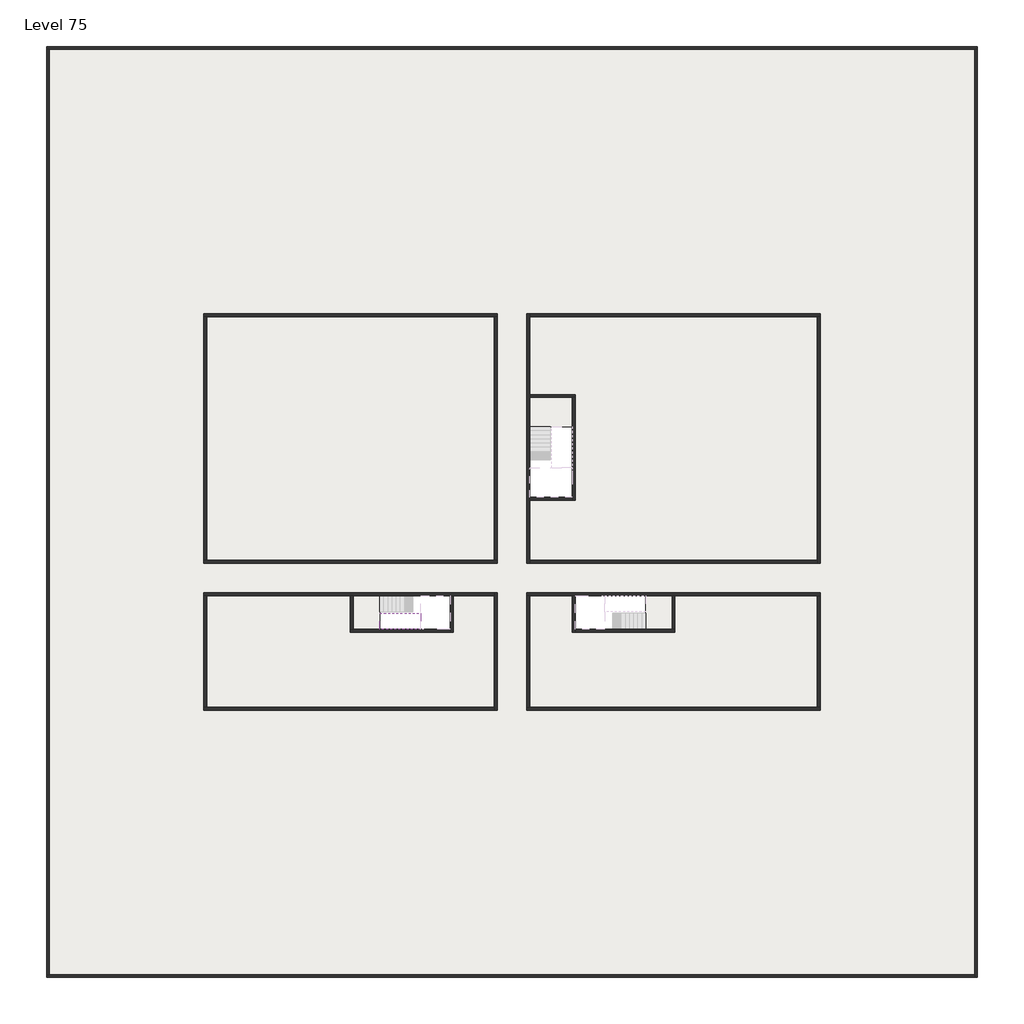
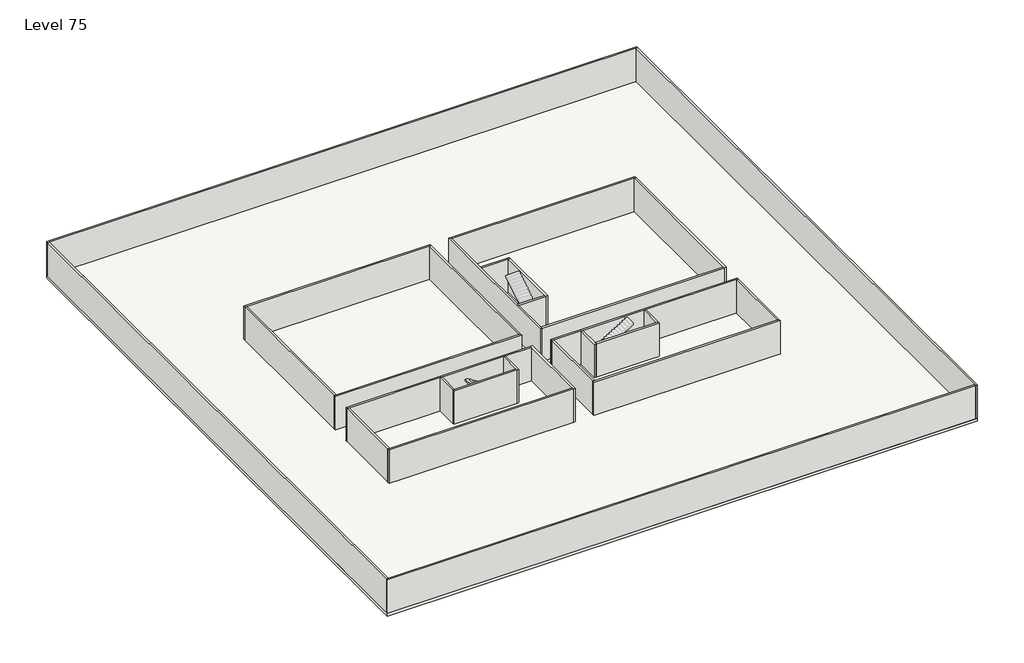
# One storey, part 1 of 2: 29 walls, 2 slabs, 1 stair flight.
"""IFC4 building model written with IfcOpenShell, lengths in millimetres."""

from ifc_helpers import new_model, si_unit, frame, origin, place, context, project, spatial, polyline, outline, extrude, faceted_brep, element, save

model = new_model("IFC4")

# Units and contexts
model_context = context("Model", 3, world=origin())
ifc_project = project(units=[si_unit("LENGTHUNIT", "METRE", prefix="MILLI")], contexts=[model_context])

# Site, building, storey
site = spatial("IfcSite", under=ifc_project)
building = spatial("IfcBuilding", under=site)
storey = spatial("IfcBuildingStorey", under=building, Name="Level 75", Elevation=281200.0)

# Slabs
placement = place(None, origin())
element("IfcSlab", 1, at=placement, inside=storey, context=model_context, shape_type="SweptSolid", body=[
    extrude(outline(polyline([(25390.1058784, -29418.09644), (28290.1058784, -29418.09644), (28290.1058784, -31418.09644), (25390.1058784, -31418.09644), (25390.1058784, -29418.09644)])), frame((0.0, 0.0, 280900.0), z_axis=(0.0, 0.0, 1.0), x_axis=(1.0, 0.0, 0.0)), (0.0, 0.0, 1.0), 300.0),
    extrude(outline(polyline([(13190.1058784, -45218.09644), (13190.1058784, -42918.09644), (15190.1058784, -42918.09644), (15190.1058784, -45218.09644), (13190.1058784, -45218.09644)])), frame((0.0, 0.0, 280900.0), z_axis=(0.0, 0.0, 1.0), x_axis=(1.0, 0.0, 0.0)), (0.0, 0.0, 1.0), 300.0),
    extrude(outline(polyline([(35090.1058784, -42918.09644), (35090.1058784, -45218.09644), (33290.1058784, -45218.09644), (33290.1058784, -42918.09644), (35090.1058784, -42918.09644)])), frame((0.0, 0.0, 280900.0), z_axis=(0.0, 0.0, 1.0), x_axis=(1.0, 0.0, 0.0)), (0.0, 0.0, 1.0), 300.0),
])
element("IfcSlab", 2, at=placement, inside=storey, context=model_context, shape_type="SweptSolid", body=[
    extrude(outline(polyline([(55890.1058784, -5518.09644), (55890.1058784, -68918.09644), (-7509.8941216, -68918.09644), (-7509.8941216, -5518.09644), (55890.1058784, -5518.09644)]), holes=[polyline([(25390.1058784, -29418.09644), (25390.1058784, -36218.09644), (28290.1058784, -36218.09644), (28290.1058784, -29418.09644), (25390.1058784, -29418.09644)]), polyline([(19990.1058784, -42918.09644), (13390.1058784, -42918.09644), (13390.1058784, -45218.09644), (19990.1058784, -45218.09644), (19990.1058784, -42918.09644)]), polyline([(35090.1058784, -42918.09644), (28490.1058784, -42918.09644), (28490.1058784, -45218.09644), (35090.1058784, -45218.09644), (35090.1058784, -42918.09644)])]), frame((0.0, 0.0, 280900.0), z_axis=(0.0, 0.0, 1.0), x_axis=(1.0, 0.0, 0.0)), (0.0, 0.0, 1.0), 300.0),
])

# Stair flight
element("IfcStairFlight", 3, at=placement, inside=storey, context=model_context, shape_type="Brep", body=[
    faceted_brep([(17710.1058784, -45218.09644, 283272.7272727), (17990.1058784, -45218.09644, 283272.7272727), (17990.1058784, -44118.09644, 283272.7272727), (17710.1058784, -44118.09644, 283272.7272727), (17710.1058784, -45218.09644, 283096.4823932), (17990.1058784, -45218.09644, 282923.7551205), (17990.1058784, -45218.09644, 283100.0), (17990.1058784, -44118.09644, 282923.7551205), (17710.1058784, -44118.09644, 283096.4823932), (17430.1058784, -45218.09644, 283445.4545455), (17710.1058784, -45218.09644, 283445.4545455), (17710.1058784, -44118.09644, 283445.4545455), (17430.1058784, -44118.09644, 283445.4545455), (17430.1058784, -45218.09644, 283269.209666), (17430.1058784, -44118.09644, 283269.209666), (17150.1058784, -45218.09644, 283618.1818182), (17430.1058784, -45218.09644, 283618.1818182), (17430.1058784, -44118.09644, 283618.1818182), (17150.1058784, -44118.09644, 283618.1818182), (17150.1058784, -45218.09644, 283441.9369387), (17150.1058784, -44118.09644, 283441.9369387), (16870.1058784, -45218.09644, 283790.9090909), (17150.1058784, -45218.09644, 283790.9090909), (17150.1058784, -44118.09644, 283790.9090909), (16870.1058784, -44118.09644, 283790.9090909), (16870.1058784, -45218.09644, 283614.6642114), (16870.1058784, -44118.09644, 283614.6642114), (16590.1058784, -45218.09644, 283963.6363636), (16870.1058784, -45218.09644, 283963.6363636), (16870.1058784, -44118.09644, 283963.6363636), (16590.1058784, -44118.09644, 283963.6363636), (16590.1058784, -45218.09644, 283787.3914841), (16590.1058784, -44118.09644, 283787.3914841), (16310.1058784, -45218.09644, 284136.3636364), (16590.1058784, -45218.09644, 284136.3636364), (16590.1058784, -44118.09644, 284136.3636364), (16310.1058784, -44118.09644, 284136.3636364), (16310.1058784, -45218.09644, 283960.1187569), (16310.1058784, -44118.09644, 283960.1187569), (16030.1058784, -45218.09644, 284309.0909091), (16310.1058784, -45218.09644, 284309.0909091), (16310.1058784, -44118.09644, 284309.0909091), (16030.1058784, -44118.09644, 284309.0909091), (16030.1058784, -45218.09644, 284132.8460296), (16030.1058784, -44118.09644, 284132.8460296), (15750.1058784, -45218.09644, 284481.8181818), (16030.1058784, -45218.09644, 284481.8181818), (16030.1058784, -44118.09644, 284481.8181818), (15750.1058784, -44118.09644, 284481.8181818), (15750.1058784, -45218.09644, 284305.5733023), (15750.1058784, -44118.09644, 284305.5733023), (15470.1058784, -45218.09644, 284654.5454545), (15750.1058784, -45218.09644, 284654.5454545), (15750.1058784, -44118.09644, 284654.5454545), (15470.1058784, -44118.09644, 284654.5454545), (15470.1058784, -45218.09644, 284478.3005751), (15470.1058784, -44118.09644, 284478.3005751), (15190.1058784, -45218.09644, 284827.2727273), (15470.1058784, -45218.09644, 284827.2727273), (15470.1058784, -44118.09644, 284827.2727273), (15190.1058784, -44118.09644, 284827.2727273), (15190.1058784, -45218.09644, 284651.0278478), (15190.1058784, -44118.09644, 284651.0278478)], [[[0, 1, 2, 3]], [[1, 0, 4, 5, 6]], [[2, 1, 6, 5, 7]], [[3, 2, 7, 8]], [[9, 10, 11, 12]], [[10, 9, 13, 4, 0]], [[11, 10, 0, 3]], [[12, 11, 3, 8, 14]], [[15, 16, 17, 18]], [[16, 15, 19, 13, 9]], [[17, 16, 9, 12]], [[18, 17, 12, 14, 20]], [[21, 22, 23, 24]], [[22, 21, 25, 19, 15]], [[23, 22, 15, 18]], [[24, 23, 18, 20, 26]], [[27, 28, 29, 30]], [[28, 27, 31, 25, 21]], [[29, 28, 21, 24]], [[30, 29, 24, 26, 32]], [[33, 34, 35, 36]], [[34, 33, 37, 31, 27]], [[35, 34, 27, 30]], [[36, 35, 30, 32, 38]], [[39, 40, 41, 42]], [[40, 39, 43, 37, 33]], [[41, 40, 33, 36]], [[42, 41, 36, 38, 44]], [[45, 46, 47, 48]], [[46, 45, 49, 43, 39]], [[47, 46, 39, 42]], [[48, 47, 42, 44, 50]], [[51, 52, 53, 54]], [[52, 51, 55, 49, 45]], [[53, 52, 45, 48]], [[54, 53, 48, 50, 56]], [[57, 58, 59, 60]], [[58, 57, 61, 55, 51]], [[59, 58, 51, 54]], [[60, 59, 54, 56, 62]], [[57, 60, 62, 61]], [[5, 4, 13, 19, 25, 31, 37, 43, 49, 55, 61, 62, 56, 50, 44, 38, 32, 26, 20, 14, 8, 7]]]),
])

# Walls
element("IfcWall", 4, at=placement, inside=storey, context=model_context, shape_type="Brep", body=[
    faceted_brep([(-7509.8941216, -5718.09644, 281200.0), (-7309.8941216, -5718.09644, 281200.0), (55690.1058784, -5718.09644, 281200.0), (55890.1058784, -5718.09644, 281200.0), (55890.1058784, -5718.09644, 285000.0), (55690.1058784, -5718.09644, 285000.0), (-7309.8941216, -5718.09644, 285000.0), (-7509.8941216, -5718.09644, 285000.0), (-7509.8941216, -5518.09644, 281200.0), (-7509.8941216, -5518.09644, 285000.0), (55890.1058784, -5518.09644, 285000.0), (55890.1058784, -5518.09644, 281200.0)], [[[0, 1, 2, 3, 4, 5, 6, 7]], [[8, 9, 10, 11]], [[3, 2, 1, 0, 8, 11]], [[7, 6, 5, 4, 10, 9]], [[4, 3, 11, 10]], [[0, 7, 9, 8]]]),
])
element("IfcWall", 5, at=placement, inside=storey, context=model_context, shape_type="Brep", body=[
    faceted_brep([(55690.1058784, -5718.09644, 281200.0), (55690.1058784, -68718.09644, 281200.0), (55690.1058784, -68918.09644, 281200.0), (55690.1058784, -68918.09644, 285000.0), (55690.1058784, -68718.09644, 285000.0), (55690.1058784, -5718.09644, 285000.0), (55890.1058784, -5718.09644, 281200.0), (55890.1058784, -5718.09644, 285000.0), (55890.1058784, -68918.09644, 285000.0), (55890.1058784, -68918.09644, 281200.0)], [[[0, 1, 2, 3, 4, 5]], [[6, 7, 8, 9]], [[2, 1, 0, 6, 9]], [[5, 4, 3, 8, 7]], [[0, 5, 7, 6]], [[3, 2, 9, 8]]]),
])
element("IfcWall", 6, at=placement, inside=storey, context=model_context, shape_type="Brep", body=[
    faceted_brep([(55690.1058784, -68718.09644, 281200.0), (-7309.8941216, -68718.09644, 281200.0), (-7509.8941216, -68718.09644, 281200.0), (-7509.8941216, -68718.09644, 285000.0), (-7309.8941216, -68718.09644, 285000.0), (55690.1058784, -68718.09644, 285000.0), (55690.1058784, -68918.09644, 281200.0), (55690.1058784, -68918.09644, 285000.0), (-7509.8941216, -68918.09644, 285000.0), (-7509.8941216, -68918.09644, 281200.0)], [[[0, 1, 2, 3, 4, 5]], [[6, 7, 8, 9]], [[2, 1, 0, 6, 9]], [[5, 4, 3, 8, 7]], [[0, 5, 7, 6]], [[3, 2, 9, 8]]]),
])
element("IfcWall", 7, at=placement, inside=storey, context=model_context, shape_type="SweptSolid", body=[
    extrude(outline(polyline([(-7309.8941216, -5718.09644), (-7309.8941216, -68718.09644), (-7509.8941216, -68718.09644), (-7509.8941216, -5718.09644), (-7309.8941216, -5718.09644)])), frame((0.0, 0.0, 281200.0), z_axis=(0.0, 0.0, 1.0), x_axis=(1.0, 0.0, 0.0)), (0.0, 0.0, 1.0), 3800.0),
])
element("IfcWall", 8, at=placement, inside=storey, context=model_context, shape_type="Brep", body=[
    faceted_brep([(3190.1058784, -23918.09644, 281200.0), (3390.1058784, -23918.09644, 281200.0), (22990.1058784, -23918.09644, 281200.0), (23190.1058784, -23918.09644, 281200.0), (23190.1058784, -23918.09644, 285000.0), (22990.1058784, -23918.09644, 285000.0), (3390.1058784, -23918.09644, 285000.0), (3190.1058784, -23918.09644, 285000.0), (3190.1058784, -23718.09644, 281200.0), (3190.1058784, -23718.09644, 285000.0), (23190.1058784, -23718.09644, 285000.0), (23190.1058784, -23718.09644, 281200.0)], [[[0, 1, 2, 3, 4, 5, 6, 7]], [[8, 9, 10, 11]], [[3, 2, 1, 0, 8, 11]], [[7, 6, 5, 4, 10, 9]], [[0, 7, 9, 8]], [[4, 3, 11, 10]]]),
])
element("IfcWall", 9, at=placement, inside=storey, context=model_context, shape_type="Brep", body=[
    faceted_brep([(44990.1058784, -23918.09644, 281200.0), (44990.1058784, -40518.09644, 281200.0), (44990.1058784, -40718.09644, 281200.0), (44990.1058784, -40718.09644, 285000.0), (44990.1058784, -40518.09644, 285000.0), (44990.1058784, -23918.09644, 285000.0), (45190.1058784, -23918.09644, 281200.0), (45190.1058784, -23918.09644, 285000.0), (45190.1058784, -40718.09644, 285000.0), (45190.1058784, -40718.09644, 281200.0)], [[[0, 1, 2, 3, 4, 5]], [[6, 7, 8, 9]], [[2, 1, 0, 6, 9]], [[5, 4, 3, 8, 7]], [[3, 2, 9, 8]], [[0, 5, 7, 6]]]),
])
element("IfcWall", 10, at=placement, inside=storey, context=model_context, shape_type="Brep", body=[
    faceted_brep([(45190.1058784, -50518.09644, 281200.0), (44990.1058784, -50518.09644, 281200.0), (25390.1058784, -50518.09644, 281200.0), (25190.1058784, -50518.09644, 281200.0), (25190.1058784, -50518.09644, 285000.0), (25390.1058784, -50518.09644, 285000.0), (44990.1058784, -50518.09644, 285000.0), (45190.1058784, -50518.09644, 285000.0), (45190.1058784, -50718.09644, 281200.0), (45190.1058784, -50718.09644, 285000.0), (25190.1058784, -50718.09644, 285000.0), (25190.1058784, -50718.09644, 281200.0)], [[[0, 1, 2, 3, 4, 5, 6, 7]], [[8, 9, 10, 11]], [[3, 2, 1, 0, 8, 11]], [[7, 6, 5, 4, 10, 9]], [[4, 3, 11, 10]], [[0, 7, 9, 8]]]),
])
element("IfcWall", 11, at=placement, inside=storey, context=model_context, shape_type="SweptSolid", body=[
    extrude(outline(polyline([(22990.1058784, -40518.09644), (22990.1058784, -23918.09644), (23190.1058784, -23918.09644), (23190.1058784, -40518.09644), (22990.1058784, -40518.09644)])), frame((0.0, 0.0, 281200.0), z_axis=(0.0, 0.0, 1.0), x_axis=(1.0, 0.0, 0.0)), (0.0, 0.0, 1.0), 3800.0),
])
element("IfcWall", 12, at=placement, inside=storey, context=model_context, shape_type="Brep", body=[
    faceted_brep([(23190.1058784, -40518.09644, 281200.0), (22990.1058784, -40518.09644, 281200.0), (3390.1058784, -40518.09644, 281200.0), (3190.1058784, -40518.09644, 281200.0), (3190.1058784, -40518.09644, 285000.0), (3390.1058784, -40518.09644, 285000.0), (22990.1058784, -40518.09644, 285000.0), (23190.1058784, -40518.09644, 285000.0), (23190.1058784, -40718.09644, 281200.0), (23190.1058784, -40718.09644, 285000.0), (3190.1058784, -40718.09644, 285000.0), (3190.1058784, -40718.09644, 281200.0)], [[[0, 1, 2, 3, 4, 5, 6, 7]], [[8, 9, 10, 11]], [[3, 2, 1, 0, 8, 11]], [[7, 6, 5, 4, 10, 9]], [[4, 3, 11, 10]], [[0, 7, 9, 8]]]),
])
element("IfcWall", 13, at=placement, inside=storey, context=model_context, shape_type="Brep", body=[
    faceted_brep([(3190.1058784, -42918.09644, 281200.0), (3390.1058784, -42918.09644, 281200.0), (13190.1058784, -42918.09644, 281200.0), (13390.1058784, -42918.09644, 281200.0), (19990.1058784, -42918.09644, 281200.0), (20190.1058784, -42918.09644, 281200.0), (22990.1058784, -42918.09644, 281200.0), (22990.1058784, -42918.09644, 285000.0), (20190.1058784, -42918.09644, 285000.0), (19990.1058784, -42918.09644, 285000.0), (13390.1058784, -42918.09644, 285000.0), (13190.1058784, -42918.09644, 285000.0), (3390.1058784, -42918.09644, 285000.0), (3190.1058784, -42918.09644, 285000.0), (3190.1058784, -42718.09644, 281200.0), (3190.1058784, -42718.09644, 285000.0), (22990.1058784, -42718.09644, 285000.0), (22990.1058784, -42718.09644, 281200.0)], [[[0, 1, 2, 3, 4, 5, 6, 7, 8, 9, 10, 11, 12, 13]], [[14, 15, 16, 17]], [[6, 5, 4, 3, 2, 1, 0, 14, 17]], [[13, 12, 11, 10, 9, 8, 7, 16, 15]], [[0, 13, 15, 14]], [[7, 6, 17, 16]]]),
])
element("IfcWall", 14, at=placement, inside=storey, context=model_context, shape_type="SweptSolid", body=[
    extrude(outline(polyline([(25390.1058784, -40518.09644), (44990.1058784, -40518.09644), (44990.1058784, -40718.09644), (25390.1058784, -40718.09644), (25390.1058784, -40518.09644)])), frame((0.0, 0.0, 281200.0), z_axis=(0.0, 0.0, 1.0), x_axis=(1.0, 0.0, 0.0)), (0.0, 0.0, 1.0), 3800.0),
])
element("IfcWall", 15, at=placement, inside=storey, context=model_context, shape_type="Brep", body=[
    faceted_brep([(25390.1058784, -40718.09644, 281200.0), (25390.1058784, -40518.09644, 281200.0), (25390.1058784, -36418.09644, 281200.0), (25390.1058784, -36218.09644, 281200.0), (25390.1058784, -29418.09644, 281200.0), (25390.1058784, -29218.09644, 281200.0), (25390.1058784, -23918.09644, 281200.0), (25390.1058784, -23718.09644, 281200.0), (25390.1058784, -23718.09644, 285000.0), (25390.1058784, -23918.09644, 285000.0), (25390.1058784, -29218.09644, 285000.0), (25390.1058784, -29418.09644, 285000.0), (25390.1058784, -36218.09644, 285000.0), (25390.1058784, -36418.09644, 285000.0), (25390.1058784, -40518.09644, 285000.0), (25390.1058784, -40718.09644, 285000.0), (25190.1058784, -40718.09644, 281200.0), (25190.1058784, -40718.09644, 285000.0), (25190.1058784, -23718.09644, 285000.0), (25190.1058784, -23718.09644, 281200.0)], [[[0, 1, 2, 3, 4, 5, 6, 7, 8, 9, 10, 11, 12, 13, 14, 15]], [[16, 17, 18, 19]], [[7, 6, 5, 4, 3, 2, 1, 0, 16, 19]], [[15, 14, 13, 12, 11, 10, 9, 8, 18, 17]], [[0, 15, 17, 16]], [[8, 7, 19, 18]]]),
])
element("IfcWall", 16, at=placement, inside=storey, context=model_context, shape_type="SweptSolid", body=[
    extrude(outline(polyline([(3390.1058784, -23918.09644), (3390.1058784, -40518.09644), (3190.1058784, -40518.09644), (3190.1058784, -23918.09644), (3390.1058784, -23918.09644)])), frame((0.0, 0.0, 281200.0), z_axis=(0.0, 0.0, 1.0), x_axis=(1.0, 0.0, 0.0)), (0.0, 0.0, 1.0), 3800.0),
])
element("IfcWall", 17, at=placement, inside=storey, context=model_context, shape_type="Brep", body=[
    faceted_brep([(25390.1058784, -23918.09644, 281200.0), (44990.1058784, -23918.09644, 281200.0), (45190.1058784, -23918.09644, 281200.0), (45190.1058784, -23918.09644, 285000.0), (44990.1058784, -23918.09644, 285000.0), (25390.1058784, -23918.09644, 285000.0), (25390.1058784, -23718.09644, 281200.0), (25390.1058784, -23718.09644, 285000.0), (45190.1058784, -23718.09644, 285000.0), (45190.1058784, -23718.09644, 281200.0)], [[[0, 1, 2, 3, 4, 5]], [[6, 7, 8, 9]], [[2, 1, 0, 6, 9]], [[5, 4, 3, 8, 7]], [[0, 5, 7, 6]], [[3, 2, 9, 8]]]),
])
element("IfcWall", 18, at=placement, inside=storey, context=model_context, shape_type="Brep", body=[
    faceted_brep([(25390.1058784, -29418.09644, 281200.0), (28290.1058784, -29418.09644, 281200.0), (28490.1058784, -29418.09644, 281200.0), (28490.1058784, -29418.09644, 285000.0), (28290.1058784, -29418.09644, 285000.0), (25390.1058784, -29418.09644, 285000.0), (25390.1058784, -29218.09644, 281200.0), (25390.1058784, -29218.09644, 285000.0), (28490.1058784, -29218.09644, 285000.0), (28490.1058784, -29218.09644, 281200.0)], [[[0, 1, 2, 3, 4, 5]], [[6, 7, 8, 9]], [[2, 1, 0, 6, 9]], [[5, 4, 3, 8, 7]], [[3, 2, 9, 8]], [[0, 5, 7, 6]]]),
])
element("IfcWall", 19, at=placement, inside=storey, context=model_context, shape_type="Brep", body=[
    faceted_brep([(28290.1058784, -29418.09644, 281200.0), (28290.1058784, -36218.09644, 281200.0), (28290.1058784, -36418.09644, 281200.0), (28290.1058784, -36418.09644, 285000.0), (28290.1058784, -36218.09644, 285000.0), (28290.1058784, -29418.09644, 285000.0), (28490.1058784, -29418.09644, 281200.0), (28490.1058784, -29418.09644, 285000.0), (28490.1058784, -36418.09644, 285000.0), (28490.1058784, -36418.09644, 281200.0)], [[[0, 1, 2, 3, 4, 5]], [[6, 7, 8, 9]], [[2, 1, 0, 6, 9]], [[5, 4, 3, 8, 7]], [[3, 2, 9, 8]], [[0, 5, 7, 6]]]),
])
element("IfcWall", 20, at=placement, inside=storey, context=model_context, shape_type="SweptSolid", body=[
    extrude(outline(polyline([(25390.1058784, -36218.09644), (28290.1058784, -36218.09644), (28290.1058784, -36418.09644), (25390.1058784, -36418.09644), (25390.1058784, -36218.09644)])), frame((0.0, 0.0, 281200.0), z_axis=(0.0, 0.0, 1.0), x_axis=(1.0, 0.0, 0.0)), (0.0, 0.0, 1.0), 3800.0),
])
element("IfcWall", 21, at=placement, inside=storey, context=model_context, shape_type="SweptSolid", body=[
    extrude(outline(polyline([(25190.1058784, -50518.09644), (25190.1058784, -42918.09644), (25390.1058784, -42918.09644), (25390.1058784, -50518.09644), (25190.1058784, -50518.09644)])), frame((0.0, 0.0, 281200.0), z_axis=(0.0, 0.0, 1.0), x_axis=(1.0, 0.0, 0.0)), (0.0, 0.0, 1.0), 3800.0),
])
element("IfcWall", 22, at=placement, inside=storey, context=model_context, shape_type="Brep", body=[
    faceted_brep([(22990.1058784, -42718.09644, 281200.0), (22990.1058784, -42918.09644, 281200.0), (22990.1058784, -50518.09644, 281200.0), (22990.1058784, -50718.09644, 281200.0), (22990.1058784, -50718.09644, 285000.0), (22990.1058784, -50518.09644, 285000.0), (22990.1058784, -42918.09644, 285000.0), (22990.1058784, -42718.09644, 285000.0), (23190.1058784, -42718.09644, 281200.0), (23190.1058784, -42718.09644, 285000.0), (23190.1058784, -50718.09644, 285000.0), (23190.1058784, -50718.09644, 281200.0)], [[[0, 1, 2, 3, 4, 5, 6, 7]], [[8, 9, 10, 11]], [[3, 2, 1, 0, 8, 11]], [[7, 6, 5, 4, 10, 9]], [[4, 3, 11, 10]], [[0, 7, 9, 8]]]),
])
element("IfcWall", 23, at=placement, inside=storey, context=model_context, shape_type="Brep", body=[
    faceted_brep([(25190.1058784, -42918.09644, 281200.0), (25390.1058784, -42918.09644, 281200.0), (28290.1058784, -42918.09644, 281200.0), (28490.1058784, -42918.09644, 281200.0), (35090.1058784, -42918.09644, 281200.0), (35290.1058784, -42918.09644, 281200.0), (44990.1058784, -42918.09644, 281200.0), (45190.1058784, -42918.09644, 281200.0), (45190.1058784, -42918.09644, 285000.0), (44990.1058784, -42918.09644, 285000.0), (35290.1058784, -42918.09644, 285000.0), (35090.1058784, -42918.09644, 285000.0), (28490.1058784, -42918.09644, 285000.0), (28290.1058784, -42918.09644, 285000.0), (25390.1058784, -42918.09644, 285000.0), (25190.1058784, -42918.09644, 285000.0), (25190.1058784, -42718.09644, 281200.0), (25190.1058784, -42718.09644, 285000.0), (45190.1058784, -42718.09644, 285000.0), (45190.1058784, -42718.09644, 281200.0)], [[[0, 1, 2, 3, 4, 5, 6, 7, 8, 9, 10, 11, 12, 13, 14, 15]], [[16, 17, 18, 19]], [[7, 6, 5, 4, 3, 2, 1, 0, 16, 19]], [[15, 14, 13, 12, 11, 10, 9, 8, 18, 17]], [[0, 15, 17, 16]], [[8, 7, 19, 18]]]),
])
element("IfcWall", 24, at=placement, inside=storey, context=model_context, shape_type="Brep", body=[
    faceted_brep([(22990.1058784, -50518.09644, 281200.0), (3390.1058784, -50518.09644, 281200.0), (3190.1058784, -50518.09644, 281200.0), (3190.1058784, -50518.09644, 285000.0), (3390.1058784, -50518.09644, 285000.0), (22990.1058784, -50518.09644, 285000.0), (22990.1058784, -50718.09644, 281200.0), (22990.1058784, -50718.09644, 285000.0), (3190.1058784, -50718.09644, 285000.0), (3190.1058784, -50718.09644, 281200.0)], [[[0, 1, 2, 3, 4, 5]], [[6, 7, 8, 9]], [[2, 1, 0, 6, 9]], [[5, 4, 3, 8, 7]], [[3, 2, 9, 8]], [[0, 5, 7, 6]]]),
])
element("IfcWall", 25, at=placement, inside=storey, context=model_context, shape_type="Brep", body=[
    faceted_brep([(28290.1058784, -42918.09644, 281200.0), (28290.1058784, -45418.09644, 281200.0), (28290.1058784, -45418.09644, 285000.0), (28290.1058784, -42918.09644, 285000.0), (28490.1058784, -42918.09644, 281200.0), (28490.1058784, -42918.09644, 285000.0), (28490.1058784, -45218.09644, 285000.0), (28490.1058784, -45418.09644, 285000.0), (28490.1058784, -45418.09644, 281200.0), (28490.1058784, -45218.09644, 281200.0)], [[[0, 1, 2, 3]], [[4, 5, 6, 7, 8, 9]], [[1, 0, 4, 9, 8]], [[3, 2, 7, 6, 5]], [[2, 1, 8, 7]], [[0, 3, 5, 4]]]),
])
element("IfcWall", 26, at=placement, inside=storey, context=model_context, shape_type="Brep", body=[
    faceted_brep([(28490.1058784, -45418.09644, 281200.0), (35290.1058784, -45418.09644, 281200.0), (35290.1058784, -45418.09644, 285000.0), (28490.1058784, -45418.09644, 285000.0), (28490.1058784, -45218.09644, 281200.0), (28490.1058784, -45218.09644, 285000.0), (35090.1058784, -45218.09644, 285000.0), (35290.1058784, -45218.09644, 285000.0), (35290.1058784, -45218.09644, 281200.0), (35090.1058784, -45218.09644, 281200.0)], [[[0, 1, 2, 3]], [[4, 5, 6, 7, 8, 9]], [[1, 0, 4, 9, 8]], [[3, 2, 7, 6, 5]], [[2, 1, 8, 7]], [[0, 3, 5, 4]]]),
])
element("IfcWall", 27, at=placement, inside=storey, context=model_context, shape_type="SweptSolid", body=[
    extrude(outline(polyline([(35290.1058784, -42918.09644), (35290.1058784, -45218.09644), (35090.1058784, -45218.09644), (35090.1058784, -42918.09644), (35290.1058784, -42918.09644)])), frame((0.0, 0.0, 281200.0), z_axis=(0.0, 0.0, 1.0), x_axis=(1.0, 0.0, 0.0)), (0.0, 0.0, 1.0), 3800.0),
])
element("IfcWall", 28, at=placement, inside=storey, context=model_context, shape_type="Brep", body=[
    faceted_brep([(19990.1058784, -42918.09644, 281200.0), (19990.1058784, -45218.09644, 281200.0), (19990.1058784, -45418.09644, 281200.0), (19990.1058784, -45418.09644, 285000.0), (19990.1058784, -45218.09644, 285000.0), (19990.1058784, -42918.09644, 285000.0), (20190.1058784, -42918.09644, 281200.0), (20190.1058784, -42918.09644, 285000.0), (20190.1058784, -45418.09644, 285000.0), (20190.1058784, -45418.09644, 281200.0)], [[[0, 1, 2, 3, 4, 5]], [[6, 7, 8, 9]], [[2, 1, 0, 6, 9]], [[5, 4, 3, 8, 7]], [[3, 2, 9, 8]], [[0, 5, 7, 6]]]),
])
element("IfcWall", 29, at=placement, inside=storey, context=model_context, shape_type="Brep", body=[
    faceted_brep([(19990.1058784, -45218.09644, 281200.0), (13390.1058784, -45218.09644, 281200.0), (13190.1058784, -45218.09644, 281200.0), (13190.1058784, -45218.09644, 285000.0), (13390.1058784, -45218.09644, 285000.0), (19990.1058784, -45218.09644, 285000.0), (19990.1058784, -45418.09644, 281200.0), (19990.1058784, -45418.09644, 285000.0), (13190.1058784, -45418.09644, 285000.0), (13190.1058784, -45418.09644, 281200.0)], [[[0, 1, 2, 3, 4, 5]], [[6, 7, 8, 9]], [[2, 1, 0, 6, 9]], [[5, 4, 3, 8, 7]], [[0, 5, 7, 6]], [[3, 2, 9, 8]]]),
])
element("IfcWall", 30, at=placement, inside=storey, context=model_context, shape_type="SweptSolid", body=[
    extrude(outline(polyline([(13390.1058784, -42918.09644), (13390.1058784, -45218.09644), (13190.1058784, -45218.09644), (13190.1058784, -42918.09644), (13390.1058784, -42918.09644)])), frame((0.0, 0.0, 281200.0), z_axis=(0.0, 0.0, 1.0), x_axis=(1.0, 0.0, 0.0)), (0.0, 0.0, 1.0), 3800.0),
])
element("IfcWall", 31, at=placement, inside=storey, context=model_context, shape_type="SweptSolid", body=[
    extrude(outline(polyline([(45190.1058784, -42918.09644), (45190.1058784, -50518.09644), (44990.1058784, -50518.09644), (44990.1058784, -42918.09644), (45190.1058784, -42918.09644)])), frame((0.0, 0.0, 281200.0), z_axis=(0.0, 0.0, 1.0), x_axis=(1.0, 0.0, 0.0)), (0.0, 0.0, 1.0), 3800.0),
])
element("IfcWall", 32, at=placement, inside=storey, context=model_context, shape_type="SweptSolid", body=[
    extrude(outline(polyline([(3390.1058784, -42918.09644), (3390.1058784, -50518.09644), (3190.1058784, -50518.09644), (3190.1058784, -42918.09644), (3390.1058784, -42918.09644)])), frame((0.0, 0.0, 281200.0), z_axis=(0.0, 0.0, 1.0), x_axis=(1.0, 0.0, 0.0)), (0.0, 0.0, 1.0), 3800.0),
])

save(model, "model.ifc")
